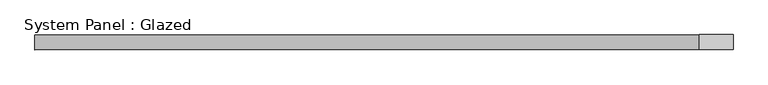
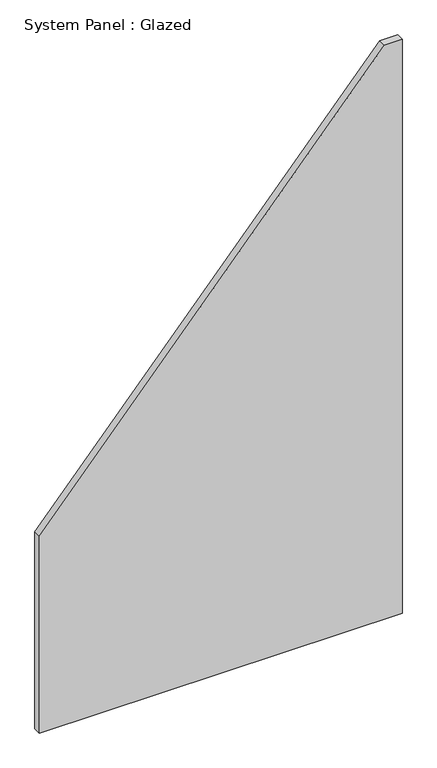
"""IFC4 building model written with IfcOpenShell, lengths in millimetres: plate geometry, System Panel : Glazed."""

from ifc_helpers import new_model, si_unit, frame, origin, place, context, project, spatial, polyline, outline, extrude, source, transform, mapped, element, save


def system_panel_glazed_603b185a(model_context):
    return source(origin(), model_context, "Body", "SweptSolid", [
        extrude(outline(polyline([(0.0, -580.0), (0.0, 580.0), (1940.0, 580.0), (1940.0, 523.4741542), (665.8178001, -580.0), (0.0, -580.0)])), frame((0.0, 24.5, 0.0), z_axis=(0.0, 1.0, 0.0), x_axis=(0.0, 0.0, 1.0)), (0.0, 0.0, 1.0), 25.0),
    ])


if __name__ == "__main__":
    model = new_model("IFC4")
    model_context = context("Model", 3, world=origin())
    ifc_project = project(units=[si_unit("LENGTHUNIT", "METRE", prefix="MILLI")], contexts=[model_context])
    site = spatial("IfcSite", under=ifc_project)
    building = spatial("IfcBuilding", under=site)
    placement = place(None, origin())
    system_panel_glazed_shape = system_panel_glazed_603b185a(model_context)
    element("IfcPlate", 1, ObjectType="System Panel : Glazed", at=placement, inside=building, context=model_context, shape_type="MappedRepresentation", body=[
        mapped(system_panel_glazed_shape, transform((0.0, 0.0, 0.0), x_axis=(1.0, 0.0, 0.0), y_axis=(0.0, 1.0, 0.0), z_axis=(0.0, 0.0, 1.0))),
    ])
    save(model, "model.ifc")
